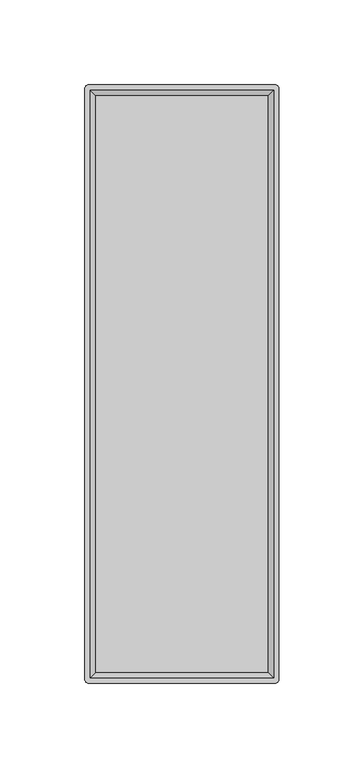
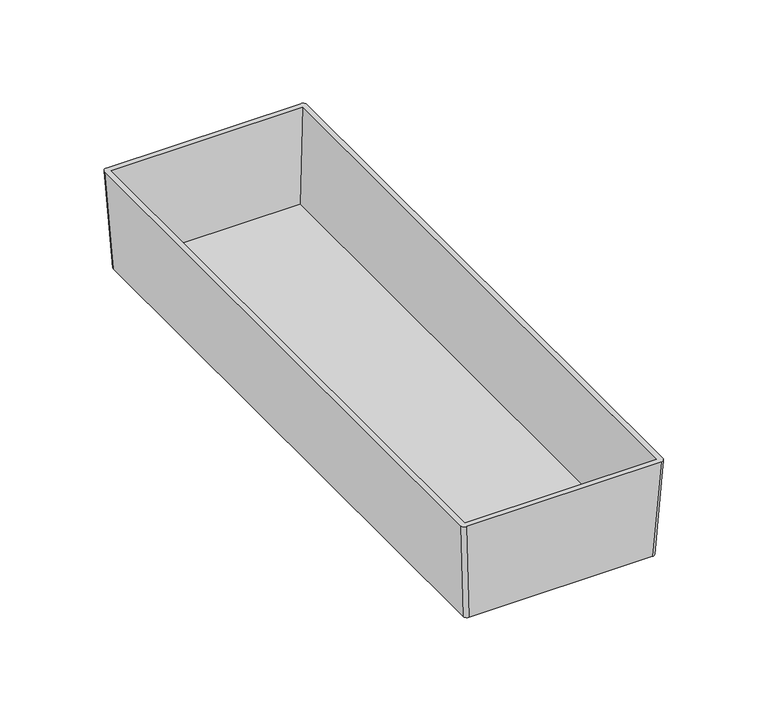
"""IFC4 building model written with IfcOpenShell, lengths in millimetres: furniture geometry."""

from ifc_helpers import new_model, si_unit, point, frame, origin, place, context, project, spatial, circle_curve, trimmed, source, transform, mapped, element, save
from ifc_brep_helpers import plane_surface, extruded_surface, advanced_brep


def furniture_c516f673(model_context):
    return source(origin(), model_context, "Body", "AdvancedBrep", [
        advanced_brep(
        [(51.7525, 173.0375, 690.46344), (53.975, 170.815, 690.46344), (53.975, -170.815, 690.46344), (51.7525, -173.0375, 690.46344), (-51.7525, -173.0375, 690.46344), (-53.975, -170.815, 690.46344), (-53.975, 170.815, 690.46344), (-51.7525, 173.0375, 690.46344), (54.9275, 176.2125, 747.61344), (-54.9275, 176.2125, 747.61344), (-57.15, 173.99, 747.61344), (-57.15, -173.99, 747.61344), (-54.9275, -176.2125, 747.61344), (54.9275, -176.2125, 747.61344), (57.15, -173.99, 747.61344), (57.15, 173.99, 747.61344), (-53.975, 173.0375, 747.61344), (53.975, 173.0375, 747.61344), (53.975, -173.0375, 747.61344), (-53.975, -173.0375, 747.61344), (50.8, 169.8625, 693.00344), (-50.8, 169.8625, 693.00344), (-50.8, -169.8625, 693.00344), (50.8, -169.8625, 693.00344)],
        [
            (0, 1, circle_curve(frame((51.7525, 170.815, 690.46344), z_axis=(0.0, 0.0, -1.0), x_axis=(-1.0, 0.0, 0.0)), 2.2225)),
            (1, 2),
            (2, 3, circle_curve(frame((51.7525, -170.815, 690.46344), z_axis=(0.0, 0.0, -1.0), x_axis=(-1.0, 0.0, 0.0)), 2.2225)),
            (3, 4),
            (4, 5, circle_curve(frame((-51.7525, -170.815, 690.46344), z_axis=(0.0, 0.0, -1.0), x_axis=(-1.0, 0.0, 0.0)), 2.2225)),
            (5, 6),
            (6, 7, circle_curve(frame((-51.7525, 170.815, 690.46344), z_axis=(0.0, 0.0, -1.0), x_axis=(-1.0, 0.0, 0.0)), 2.2225)),
            (7, 0),
            (8, 9),
            (9, 10, circle_curve(frame((-54.9275, 173.99, 747.61344), z_axis=(0.0, 0.0, 1.0), x_axis=(-1.0, 0.0, 0.0)), 2.2225)),
            (10, 11),
            (11, 12, circle_curve(frame((-54.9275, -173.99, 747.61344), z_axis=(0.0, 0.0, 1.0), x_axis=(-1.0, 0.0, 0.0)), 2.2225)),
            (12, 13),
            (13, 14, circle_curve(frame((54.9275, -173.99, 747.61344), z_axis=(0.0, 0.0, 1.0), x_axis=(-1.0, 0.0, 0.0)), 2.2225)),
            (14, 15),
            (15, 8, circle_curve(frame((54.9275, 173.99, 747.61344), z_axis=(0.0, 0.0, 1.0), x_axis=(-1.0, 0.0, 0.0)), 2.2225)),
            (16, 17),
            (17, 18),
            (18, 19),
            (19, 16),
            (7, 9),
            (8, 0),
            (6, 10),
            (5, 11),
            (4, 12),
            (3, 13),
            (2, 14),
            (1, 15),
            (20, 21),
            (21, 22),
            (22, 23),
            (23, 20),
            (20, 17),
            (16, 21),
            (19, 22),
            (18, 23),
        ],
        [
            plane_surface(frame((0.0, 0.0, 690.46344), z_axis=(0.0, 0.0, -1.0), x_axis=(-1.0, 0.0, 0.0))),
            plane_surface(frame((0.0, 0.0, 747.61344), z_axis=(0.0, 0.0, 1.0), x_axis=(-1.0, 0.0, 0.0))),
            plane_surface(frame((0.0, 176.2125, 747.61344), z_axis=(0.0, 0.9984603532054104, -0.05547001962256064), x_axis=(1.0, 0.0, 0.0))),
            extruded_surface(trimmed(circle_curve(frame((-54.9275, 173.99, 747.61344), z_axis=(0.0, 0.0, -1.0), x_axis=(-1.0, 0.0, 0.0)), 2.2225), [point((-57.15, 173.99, 747.61344))], [point((-54.9275, 176.2125, 747.61344))], True, "CARTESIAN"), (3.1750000000000043, -3.1750000000000114, -57.14999999999998), 57.326117520725205),
            plane_surface(frame((-57.15, 0.0, 747.61344), z_axis=(-0.998460353205411, 0.0, -0.05547001962254796), x_axis=(0.0, 1.0, 0.0))),
            extruded_surface(trimmed(circle_curve(frame((-54.9275, -173.99, 747.61344), z_axis=(0.0, 0.0, -1.0), x_axis=(-1.0, 0.0, 0.0)), 2.2225), [point((-54.9275, -176.2125, 747.61344))], [point((-57.15, -173.99, 747.61344))], True, "CARTESIAN"), (3.1750000000000043, 3.1750000000000114, -57.14999999999998), 57.326117520725205),
            plane_surface(frame((0.0, -176.2125, 747.61344), z_axis=(0.0, -0.9984603532055267, -0.05547001962046713), x_axis=(-1.0, 0.0, 0.0))),
            extruded_surface(trimmed(circle_curve(frame((54.9275, -173.99, 747.61344), z_axis=(0.0, 0.0, -1.0), x_axis=(-1.0, 0.0, 0.0)), 2.2225), [point((57.15, -173.99, 747.61344))], [point((54.9275, -176.2125, 747.61344))], True, "CARTESIAN"), (-3.1750000000000043, 3.1750000000000114, -57.14999999999998), 57.326117520725205),
            plane_surface(frame((57.15, 0.0, 747.61344), z_axis=(0.998460353205429, 0.0, -0.055470019622225274), x_axis=(0.0, -1.0, 0.0))),
            extruded_surface(trimmed(circle_curve(frame((54.9275, 173.99, 747.61344), z_axis=(0.0, 0.0, -1.0), x_axis=(-1.0, 0.0, 0.0)), 2.2225), [point((54.9275, 176.2125, 747.61344))], [point((57.15, 173.99, 747.61344))], True, "CARTESIAN"), (-3.1750000000000043, -3.1750000000000114, -57.14999999999998), 57.326117520725205),
            plane_surface(frame((0.0, 0.0, 693.00344), z_axis=(0.0, 0.0, 1.0), x_axis=(-1.0, 0.0, 0.0))),
            plane_surface(frame((0.0, 173.0375, 747.61344), z_axis=(0.0, -0.9983141698791151, 0.05804152150463695), x_axis=(1.0, 0.0, 0.0))),
            plane_surface(frame((-53.975, 0.0, 747.61344), z_axis=(0.9983141698791161, 0.0, 0.058041521504619685), x_axis=(0.0, 1.0, 0.0))),
            plane_surface(frame((0.0, -173.0375, 747.61344), z_axis=(0.0, 0.9983141698789251, 0.0580415215079058), x_axis=(-1.0, 0.0, 0.0))),
            plane_surface(frame((53.975, 0.0, 747.61344), z_axis=(-0.998314169879097, 0.0, 0.058041521504948144), x_axis=(0.0, -1.0, 0.0))),
        ],
        [
            (0, [[1, 2, 3, 4, 5, 6, 7, 8]]),
            (1, [[9, 10, 11, 12, 13, 14, 15, 16], [17, 18, 19, 20]]),
            (2, [[-8, 21, -9, 22]]),
            (3, [[-7, 23, -10, -21]]),
            (4, [[-6, 24, -11, -23]]),
            (5, [[-5, 25, -12, -24]]),
            (6, [[-4, 26, -13, -25]]),
            (7, [[-3, 27, -14, -26]]),
            (8, [[-2, 28, -15, -27]]),
            (9, [[-1, -22, -16, -28]]),
            (10, [[29, 30, 31, 32]]),
            (11, [[-29, 33, -17, 34]]),
            (12, [[-30, -34, -20, 35]]),
            (13, [[-31, -35, -19, 36]]),
            (14, [[-32, -36, -18, -33]]),
        ],
    ),
    ])


if __name__ == "__main__":
    model = new_model("IFC4")
    model_context = context("Model", 3, world=origin())
    ifc_project = project(units=[si_unit("LENGTHUNIT", "METRE", prefix="MILLI")], contexts=[model_context])
    site = spatial("IfcSite", under=ifc_project)
    building = spatial("IfcBuilding", under=site)
    placement = place(None, origin())
    furniture_shape = furniture_c516f673(model_context)
    element("IfcFurniture", 1, at=placement, inside=building, context=model_context, shape_type="MappedRepresentation", body=[
        mapped(furniture_shape, transform((0.0, 0.0, 0.0), x_axis=(1.0, 0.0, 0.0), y_axis=(0.0, 1.0, 0.0), z_axis=(0.0, 0.0, 1.0))),
    ])
    save(model, "model.ifc")
